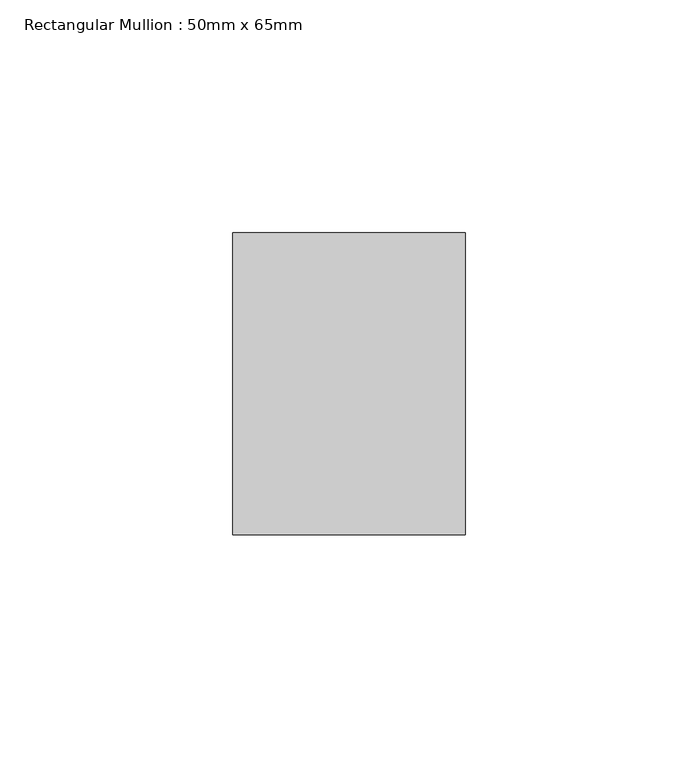
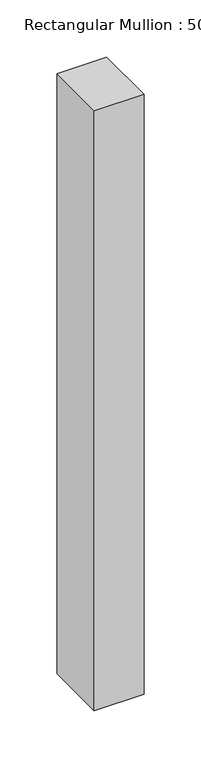
"""IFC4 building model written with IfcOpenShell, lengths in millimetres: member geometry, Rectangular Mullion : 50mm x 65mm."""

from ifc_helpers import new_model, si_unit, frame, origin, place, context, project, spatial, polyline, outline, extrude, source, transform, mapped, element, save


def rectangular_mullion_50mm_x_65mm_0cc85980(model_context):
    return source(origin(), model_context, "Body", "SweptSolid", [
        extrude(outline(polyline([(25.0, 32.5), (25.0, -32.5), (-25.0, -32.5), (-25.0, 32.5), (25.0, 32.5)])), frame((0.0, 0.0, -639.7124705), z_axis=(0.0, 0.0, 1.0), x_axis=(1.0, 0.0, 0.0)), (0.0, 0.0, 1.0), 639.7124705),
    ])


if __name__ == "__main__":
    model = new_model("IFC4")
    model_context = context("Model", 3, world=origin())
    ifc_project = project(units=[si_unit("LENGTHUNIT", "METRE", prefix="MILLI")], contexts=[model_context])
    site = spatial("IfcSite", under=ifc_project)
    building = spatial("IfcBuilding", under=site)
    placement = place(None, origin())
    rectangular_mullion_50mm_x_65mm_shape = rectangular_mullion_50mm_x_65mm_0cc85980(model_context)
    element("IfcMember", 1, ObjectType="Rectangular Mullion : 50mm x 65mm", at=placement, inside=building, context=model_context, shape_type="MappedRepresentation", body=[
        mapped(rectangular_mullion_50mm_x_65mm_shape, transform((0.0, 0.0, 0.0), x_axis=(1.0, 0.0, 0.0), y_axis=(0.0, 1.0, 0.0), z_axis=(0.0, 0.0, 1.0))),
    ])
    save(model, "model.ifc")
